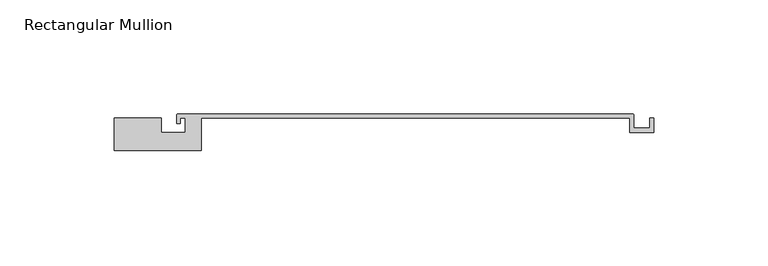
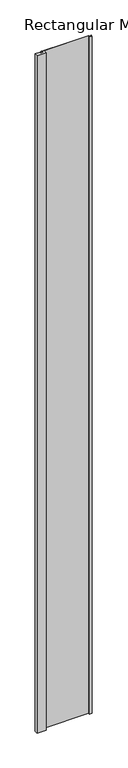
"""IFC4 building model written with IfcOpenShell, lengths in millimetres: member geometry, Rectangular Mullion."""

from ifc_helpers import new_model, si_unit, point, frame, frame_2d, origin, place, context, project, spatial, polyline, circle_curve, trimmed, segment, composite_curve, outline, extrude, source, transform, mapped, element, save


def rectangular_mullion_786b5829(model_context):
    return source(origin(), model_context, "Body", "SweptSolid", [
        extrude(outline(composite_curve([segment(polyline([(-190.0, 14.2), (-169.5, 14.2), (-169.5, 8.0), (-158.9, 8.0), (-158.9, 14.2), (-161.1, 14.2), (-161.1, 11.8), (-162.7, 11.8), (-162.7, 15.5)]), True, "CONTINUOUS"), segment(trimmed(circle_curve(frame_2d((-162.2, 15.5)), 0.5), [point((-162.7, 15.5))], [point((-162.2, 16.0))], False, "CARTESIAN"), True, "CONTINUOUS"), segment(polyline([(-162.2, 16.0), (36.8, 16.0)]), True, "CONTINUOUS"), segment(trimmed(circle_curve(frame_2d((36.8, 15.5)), 0.5), [point((36.8, 16.0))], [point((37.3, 15.5))], False, "CARTESIAN"), True, "CONTINUOUS"), segment(polyline([(37.3, 15.5), (37.3, 9.8), (44.3, 9.8), (44.3, 14.2), (46.1, 14.2), (46.1, 8.0), (35.5, 8.0), (35.5, 14.2), (-152.0, 14.2), (-152.0, 0.0), (-190.0, 0.0), (-190.0, 14.2)]), True, "CONTINUOUS")], self_intersect=False)), frame((0.0, 0.0, -3000.0), z_axis=(0.0, 0.0, 1.0), x_axis=(1.0, 0.0, 0.0)), (0.0, 0.0, 1.0), 3000.0),
    ])


if __name__ == "__main__":
    model = new_model("IFC4")
    model_context = context("Model", 3, world=origin())
    ifc_project = project(units=[si_unit("LENGTHUNIT", "METRE", prefix="MILLI")], contexts=[model_context])
    site = spatial("IfcSite", under=ifc_project)
    building = spatial("IfcBuilding", under=site)
    placement = place(None, origin())
    rectangular_mullion_shape = rectangular_mullion_786b5829(model_context)
    element("IfcMember", 1, ObjectType="Rectangular Mullion", at=placement, inside=building, context=model_context, shape_type="MappedRepresentation", body=[
        mapped(rectangular_mullion_shape, transform((0.0, 0.0, 0.0), x_axis=(1.0, 0.0, 0.0), y_axis=(0.0, 1.0, 0.0), z_axis=(0.0, 0.0, 1.0))),
    ])
    save(model, "model.ifc")
